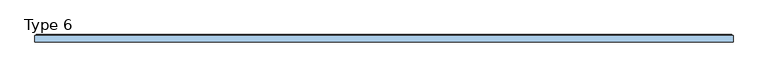
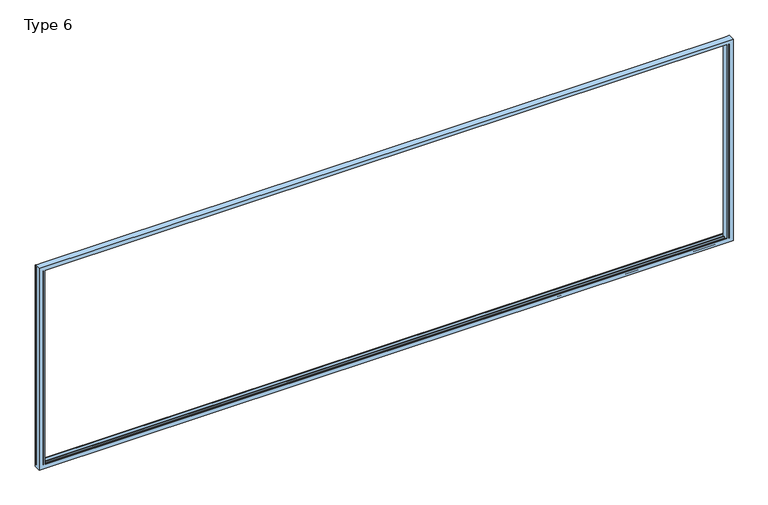
"""IFC4 building model written with IfcOpenShell, lengths in millimetres: window geometry, Type 6."""

import ifcopenshell
import ifcopenshell.guid

model = None  # the IFC model being written
_history = None  # IfcOwnerHistory: only IFC2X3 demands one
_inside = {}  # id of a spatial element -> (the spatial element, [elements in it])
_under = {}  # id of a project, library or spatial element -> (it, [spatial elements below it])
_declared = {}  # id of a project -> (the project, [libraries it declares])
_typed = {}  # id of a type object -> (the type object, [elements of that type])
_made_of = {}  # id of a material, layer set ... -> (it, [elements and type objects made of it])


def new_model(schema):
    """Start an empty IFC model of exactly this schema.

    Asked for "IFC4X3", IfcOpenShell would pick the latest addendum, in which some entities
    have other attributes; the version numbers below select the first issue.
    IFC2X3 requires an IfcOwnerHistory on every rooted entity: one is made here for all.
    """
    global model, _history
    if schema == "IFC4X3":
        model = ifcopenshell.file(schema_version=(4, 3, 0, 0))
    else:
        model = ifcopenshell.file(schema=schema)
    _inside.clear()
    _under.clear()
    _declared.clear()
    _typed.clear()
    _made_of.clear()
    _history = None
    if model.schema == "IFC2X3":
        org = make("IfcOrganization", Name="unknown")
        user = make(
            "IfcPersonAndOrganization",
            ThePerson=make("IfcPerson", FamilyName="unknown"),
            TheOrganization=org,
        )
        app = make(
            "IfcApplication",
            ApplicationDeveloper=org,
            Version="unknown",
            ApplicationFullName="unknown",
            ApplicationIdentifier="unknown",
        )
        _history = make(
            "IfcOwnerHistory",
            OwningUser=user,
            OwningApplication=app,
            ChangeAction="ADDED",
            CreationDate=0,
        )
    return model


def make(cls, **values):
    """One entity of the class cls with the attributes given. An attribute that is None is left unset."""
    return model.create_entity(
        cls, **{name: value for name, value in values.items() if value is not None}
    )


def rooted(cls, **values):
    """An entity with a GlobalId (a new one), such as an element, a storey or a relation."""
    return make(cls, GlobalId=ifcopenshell.guid.new(), OwnerHistory=_history, **values)


def si_unit(unit_type, name, prefix=None):
    """IfcSIUnit, for example si_unit("LENGTHUNIT", "METRE", prefix="MILLI")."""
    return make("IfcSIUnit", UnitType=unit_type, Prefix=prefix, Name=name)


def assignment(units):
    """IfcUnitAssignment: the units of a project."""
    return None if units is None else make("IfcUnitAssignment", Units=units)


def point(xyz):
    """IfcCartesianPoint."""
    return None if xyz is None else make("IfcCartesianPoint", Coordinates=xyz)


def direction(xyz):
    """IfcDirection."""
    return None if xyz is None else make("IfcDirection", DirectionRatios=xyz)


def frame(location, z_axis=None, x_axis=None):
    """IfcAxis2Placement3D, a coordinate frame: its origin and axes. An axis left out is left unset."""
    return make(
        "IfcAxis2Placement3D",
        Location=point(location),
        Axis=direction(z_axis),
        RefDirection=direction(x_axis),
    )


def origin():
    """The frame at (0, 0, 0) with its axes left unset."""
    return frame((0.0, 0.0, 0.0))


def place(relative_to, where):
    """IfcLocalPlacement: puts the frame where relative to a parent placement (None: the world)."""
    return make(
        "IfcLocalPlacement", PlacementRelTo=relative_to, RelativePlacement=where
    )


def context(
    kind, dimensions, precision=None, world=None, true_north=None, identifier=None
):
    """IfcGeometricRepresentationContext, for example the 3D "Model" context."""
    return make(
        "IfcGeometricRepresentationContext",
        ContextIdentifier=identifier,
        ContextType=kind,
        CoordinateSpaceDimension=dimensions,
        Precision=precision,
        WorldCoordinateSystem=world,
        TrueNorth=true_north,
    )


def project(units=None, contexts=None):
    """IfcProject with its units and contexts."""
    return rooted(
        "IfcProject",
        Name="project",
        RepresentationContexts=contexts,
        UnitsInContext=assignment(units),
    )


def spatial(cls, under=None, at=None, **own):
    """A site, building, storey or space (cls), placed at a placement, below another one or the project."""
    s = rooted(cls, ObjectPlacement=at, **own)
    if under is not None:
        _under.setdefault(under.id(), (under, []))[1].append(s)
    return s


def ellipse_curve(where, semi_axis1, semi_axis2):
    """IfcEllipse in the frame where."""
    return make(
        "IfcEllipse", Position=where, SemiAxis1=semi_axis1, SemiAxis2=semi_axis2
    )


def shape(context_of_items, identifier, shape_type, items):
    """IfcShapeRepresentation: the items that make up one representation, for example the "Body"."""
    return make(
        "IfcShapeRepresentation",
        ContextOfItems=context_of_items,
        RepresentationIdentifier=identifier,
        RepresentationType=shape_type,
        Items=items,
    )


def source(mapping_origin, context_of_items, identifier, shape_type, items):
    """IfcRepresentationMap: a shape defined once, which mapped items show again and again."""
    return make(
        "IfcRepresentationMap",
        MappingOrigin=mapping_origin,
        MappedRepresentation=shape(context_of_items, identifier, shape_type, items),
    )


def transform(
    local_origin,
    x_axis=None,
    y_axis=None,
    z_axis=None,
    scale=None,
    scale2=None,
    scale3=None,
    uniform=True,
):
    """IfcCartesianTransformationOperator3D, or its non-uniform kind. x_axis, y_axis, z_axis: its Axis1, 2, 3."""
    if uniform:
        return make(
            "IfcCartesianTransformationOperator3D",
            Axis1=direction(x_axis),
            Axis2=direction(y_axis),
            LocalOrigin=point(local_origin),
            Scale=scale,
            Axis3=direction(z_axis),
        )
    return make(
        "IfcCartesianTransformationOperator3DnonUniform",
        Axis1=direction(x_axis),
        Axis2=direction(y_axis),
        LocalOrigin=point(local_origin),
        Scale=scale,
        Axis3=direction(z_axis),
        Scale2=scale2,
        Scale3=scale3,
    )


def mapped(mapping_source, mapping_target):
    """IfcMappedItem: shows the shape of a source again, moved by a transform."""
    return make(
        "IfcMappedItem", MappingSource=mapping_source, MappingTarget=mapping_target
    )


def made_of(thing, what):
    """Note that an element or type object is made of a material, layer set ...; save() writes the relation."""
    if what is not None:
        _made_of.setdefault(what.id(), (what, []))[1].append(thing)
    return thing


def element(
    cls,
    number,
    at=None,
    inside=None,
    cuts=None,
    type_object=None,
    material=None,
    context=None,
    identifier="Body",
    shape_type=None,
    held_by="IfcProductDefinitionShape",
    body=None,
    shapes=None,
    **own,
):
    """One element of the class cls, such as IfcWall. Its Tag is "e" and its number.

    at: its placement. inside: the storey or other place that contains it. cuts: it is an
    opening in that element (IfcRelVoidsElement). A single representation is given by context,
    identifier, shape_type and body (its items); several are given by shapes. held_by: the class
    of the entity that holds the representations. save() writes the other relations.
    """
    e = rooted(cls, Tag="e%d" % number, ObjectPlacement=at, **own)
    if body is not None:
        shapes = [shape(context, identifier, shape_type, body)]
    if shapes is not None:
        e.Representation = make(held_by, Representations=shapes)
    if inside is not None:
        _inside.setdefault(inside.id(), (inside, []))[1].append(e)
    if cuts is not None:
        rooted(
            "IfcRelVoidsElement", RelatingBuildingElement=cuts, RelatedOpeningElement=e
        )
    if type_object is not None:
        _typed.setdefault(type_object.id(), (type_object, []))[1].append(e)
    return made_of(e, material)


def aggregate(whole, parts):
    """IfcRelAggregates: a whole, such as a stair, and the parts it consists of."""
    return rooted("IfcRelAggregates", RelatingObject=whole, RelatedObjects=parts)


def save(model, path):
    """Write the relations noted so far, then the file.

    IfcRelAggregates (storeys below a building ...), IfcRelContainedInSpatialStructure (elements
    in a storey), IfcRelDefinesByType, IfcRelAssociatesMaterial and IfcRelDeclares: one each for
    every whole, place, type object, material and project.
    """
    for whole, parts in _under.values():
        aggregate(whole, parts)
    for where, things in _inside.values():
        rooted(
            "IfcRelContainedInSpatialStructure",
            RelatedElements=things,
            RelatingStructure=where,
        )
    for kind, things in _typed.values():
        rooted("IfcRelDefinesByType", RelatedObjects=things, RelatingType=kind)
    for what, things in _made_of.values():
        rooted("IfcRelAssociatesMaterial", RelatedObjects=things, RelatingMaterial=what)
    for by, libraries in _declared.values():
        rooted("IfcRelDeclares", RelatingContext=by, RelatedDefinitions=libraries)
    model.write(path)


def plane_surface(at):
    """IfcPlane: the flat surface through the origin of the frame at, square to its z axis."""
    return make("IfcPlane", Position=at)


def cylinder_surface(at, radius):
    """IfcCylindricalSurface: all points at the distance radius from the z axis of the frame at."""
    return make("IfcCylindricalSurface", Position=at, Radius=radius)


def advanced_brep(points, edges, surfaces, faces):
    """IfcAdvancedBrep: a solid bounded by faces that lie on surfaces and meet in shared edges.

    An edge is (start, end): straight between two places in points (the first is 0);
    or (start, end, curve); or (start, end, curve, False) where it runs against its curve.
    A face is (place in surfaces, loops), or (place, loops, False) where it looks against
    its surface's normal. A loop lists edges by number (the first is 1), with a minus sign
    where the edge is run from its end to its start. The first loop is the outer one.
    """
    corners = [point(p) for p in points]
    vertices = [make("IfcVertexPoint", VertexGeometry=c) for c in corners]
    made = []
    for start, end, *more in edges:
        made.append(
            make(
                "IfcEdgeCurve",
                EdgeStart=vertices[start],
                EdgeEnd=vertices[end],
                EdgeGeometry=more[0] if more else make("IfcPolyline", Points=[corners[start], corners[end]]),
                SameSense=more[1] if len(more) > 1 else True,
            )
        )
    hull = []
    for where, loops, *sense in faces:
        bounds = []
        for j, loop in enumerate(loops):
            ring = [make("IfcOrientedEdge", EdgeElement=made[abs(k) - 1], Orientation=k > 0) for k in loop]
            bounds.append(
                make(
                    "IfcFaceOuterBound" if j == 0 else "IfcFaceBound",
                    Bound=make("IfcEdgeLoop", EdgeList=ring),
                    Orientation=True,
                )
            )
        hull.append(make("IfcAdvancedFace", Bounds=bounds, FaceSurface=surfaces[where], SameSense=sense[0] if sense else True))
    return make("IfcAdvancedBrep", Outer=make("IfcClosedShell", CfsFaces=hull))


def type_6_13032e25(model_context):
    return source(origin(), model_context, "Body", "AdvancedBrep", [
        advanced_brep(
        [(-3845.0, -70.0, 45.0), (-3845.0, -66.5, 45.0), (-3845.0, -66.4999084, 2345.0), (-3845.0, -70.0, 2345.0), (-3840.0003662, -70.0, 45.0), (-3840.0003662, -66.5, 45.0), (3845.0, -70.0, 45.0), (3845.0, -66.5, 45.0), (3840.0003662, -66.4999084, 45.0), (3840.0003662, -70.0, 45.0), (-3818.8, -66.5, 45.0), (-3818.8, -70.0, 45.0), (3818.7961345, -70.0, 45.0), (3818.7961345, -66.5, 45.0), (-3890.0, -70.0, 2390.0), (-3890.0, -70.0, 0.0), (3890.0, -70.0, 0.0), (3890.0, -70.0, 2390.0), (-3840.0003662, -70.0, 2345.0), (3845.0, -70.0, 2345.0), (3840.0003662, -70.0, 2345.0), (-3818.8, -70.0, 2345.0), (3818.7961345, -70.0, 2345.0), (-3840.0003662, -66.5, 2345.0), (3845.0, -66.5, 2345.0), (3840.0003662, -66.4999084, 2345.0), (-3818.8, -66.5, 24.0002136), (-3818.8, -55.8499756, 24.0002136), (-3818.8, -55.8499756, 40.999939), (-3818.8, -46.25, 40.999939), (-3818.8, -46.25, 24.0002136), (-3818.8, -23.7500839, 24.0002136), (-3818.8, -23.7500839, 40.999939), (-3818.8, -14.1501312, 40.999939), (-3818.8, -14.1501312, 24.0002136), (-3818.8, 0.0, 24.0002136), (-3818.8, 0.0, 59.9999084), (-3818.8, 0.0, 2330.0000916), (-3818.8, 0.0, 2365.9997864), (-3818.8, -14.1501312, 2365.9997864), (-3818.8, -14.1501312, 2349.000061), (-3818.8, -23.7500839, 2349.000061), (-3818.8, -23.7500839, 2365.9997864), (-3818.8, -46.25, 2365.9997864), (-3818.8, -46.25, 2349.000061), (-3818.8, -55.8499756, 2349.000061), (-3818.8, -55.8499756, 2365.9997864), (-3818.8, -66.5, 2365.9997864), (-3818.8, -66.5, 2345.0), (3818.7961345, -66.5, 2345.0), (3818.7961345, -66.5, 2365.9997864), (3818.7961345, -55.8499756, 2365.9997864), (3818.7961345, -55.8499756, 2349.000061), (3818.7961345, -46.25, 2349.000061), (3818.7961345, -46.25, 2365.9997864), (3818.7961345, -23.7500839, 2365.9997864), (3818.7961345, -23.7500839, 2349.000061), (3818.7961345, -14.1501312, 2349.000061), (3818.7961345, -14.1501312, 2365.9997864), (3818.7961345, 0.0, 2365.9997864), (3818.7961345, 0.0, 2330.0000916), (3818.7961345, 0.0, 59.9999084), (3818.7961345, 0.0, 24.0002136), (3818.7961345, -14.1501312, 24.0002136), (3818.7961345, -14.1501312, 40.999939), (3818.7961345, -23.7500839, 40.999939), (3818.7961345, -23.7500839, 24.0002136), (3818.7961345, -46.25, 24.0002136), (3818.7961345, -46.25, 40.999939), (3818.7961345, -55.8499756, 40.999939), (3818.7961345, -55.8499756, 24.0002136), (3818.7961345, -66.5, 24.0002136), (-3890.0, 0.0, 0.0), (-3865.9997864, 0.0, 0.0), (-3818.8, 0.0, 0.0), (3818.7961345, 0.0, 0.0), (3865.9997864, 0.0, 0.0), (3890.0, 0.0, 0.0), (-3890.0, 0.0, 2390.0), (-3865.9997864, 0.0, 2390.0), (-3818.8, 0.0, 2390.0), (3818.7961345, 0.0, 2390.0), (3865.9997864, 0.0, 2390.0), (3890.0, 0.0, 2390.0), (-3877.999939, 0.0, 2377.999939), (-3877.999939, 0.0, 12.000061), (-3865.9997864, 0.0, 12.000061), (-3818.8, 0.0, 12.000061), (3818.7961345, 0.0, 12.000061), (3865.9997864, 0.0, 12.000061), (3877.999939, 0.0, 12.000061), (3877.999939, 0.0, 2377.999939), (3865.9997864, 0.0, 2377.999939), (3818.7961345, 0.0, 2377.999939), (-3818.8, 0.0, 2377.999939), (-3865.9997864, 0.0, 2377.999939), (-3830.0000916, 0.0, 59.9999084), (-3830.0000916, 7.4999847, 59.9999084), (-3830.0000916, 7.4999847, 2330.0000916), (-3830.0000916, 0.0, 2330.0000916), (3830.0000916, 0.0, 59.9999084), (3830.0000916, 7.4999847, 59.9999084), (3830.0000916, 0.0, 2330.0000916), (3830.0000916, 7.4999847, 2330.0000916), (3832.5000916, 9.9999847, 57.4999084), (-3832.5000916, 9.9999847, 57.4999084), (-3877.999939, 5.4999847, 12.000061), (-3877.999939, 5.4999847, 2377.999939), (3877.999939, 5.4999847, 12.000061), (-3873.499939, 9.9999847, 16.500061), (3873.499939, 9.9999847, 16.500061), (3877.999939, 5.4999847, 2377.999939), (-3832.5000916, 9.9999847, 2332.5000916), (-3873.499939, 9.9999847, 2373.499939), (3832.5000916, 9.9999847, 2332.5000916), (3873.499939, 9.9999847, 2373.499939)],
        [
            (0, 1),
            (1, 2),
            (2, 3),
            (3, 0),
            (0, 4),
            (4, 5),
            (5, 1),
            (6, 7),
            (7, 8),
            (8, 9),
            (9, 6),
            (10, 11),
            (11, 12),
            (12, 13),
            (13, 10),
            (14, 15),
            (15, 16),
            (16, 17),
            (17, 14),
            (3, 18),
            (18, 4),
            (19, 6),
            (9, 20),
            (20, 19),
            (21, 22),
            (22, 12),
            (11, 21),
            (18, 23),
            (23, 5),
            (23, 2),
            (19, 24),
            (24, 7),
            (25, 8),
            (24, 25),
            (25, 20),
            (10, 26),
            (26, 27),
            (27, 28),
            (28, 29),
            (29, 30),
            (30, 31),
            (31, 32),
            (32, 33),
            (33, 34),
            (34, 35),
            (35, 36),
            (36, 37),
            (37, 38),
            (38, 39),
            (39, 40),
            (40, 41),
            (41, 42),
            (42, 43),
            (43, 44),
            (44, 45),
            (45, 46),
            (46, 47),
            (47, 48),
            (48, 21),
            (22, 49),
            (49, 50),
            (50, 51),
            (51, 52),
            (52, 53),
            (53, 54),
            (54, 55),
            (55, 56),
            (56, 57),
            (57, 58),
            (58, 59),
            (59, 60),
            (60, 61),
            (61, 62),
            (62, 63),
            (63, 64),
            (64, 65),
            (65, 66),
            (66, 67),
            (67, 68),
            (68, 69),
            (69, 70),
            (70, 71),
            (71, 13),
            (71, 26),
            (47, 50),
            (49, 48),
            (15, 72),
            (72, 73),
            (73, 74),
            (74, 75),
            (75, 76),
            (76, 77),
            (77, 16),
            (14, 78),
            (78, 72),
            (78, 79),
            (79, 80),
            (80, 81),
            (81, 82),
            (82, 83),
            (83, 77),
            (84, 85),
            (85, 86),
            (86, 87),
            (87, 88),
            (88, 89),
            (89, 90),
            (90, 91),
            (91, 92),
            (92, 93),
            (93, 94),
            (94, 95),
            (95, 84),
            (83, 17),
            (70, 27),
            (69, 28),
            (45, 52),
            (51, 46),
            (68, 29),
            (67, 30),
            (43, 54),
            (53, 44),
            (66, 31),
            (65, 32),
            (41, 56),
            (55, 42),
            (64, 33),
            (63, 34),
            (39, 58),
            (57, 40),
            (62, 35),
            (61, 36),
            (37, 60),
            (59, 38),
            (96, 97),
            (97, 98),
            (98, 99),
            (99, 96),
            (96, 36),
            (61, 100),
            (100, 101),
            (101, 97),
            (99, 37),
            (60, 102),
            (102, 100),
            (102, 103),
            (103, 101),
            (101, 104, ellipse_curve(frame((3832.5000916, 7.4999847, 57.4999084), z_axis=(-0.7071067811865498, 0.0, -0.7071067811865451), x_axis=(-0.7071067811865452, 0.0, 0.7071067811865497)), 3.5355339, 2.5)),
            (104, 105),
            (105, 97, ellipse_curve(frame((-3832.5000916, 7.4999847, 57.4999084), z_axis=(0.7071067811865451, 0.0, -0.7071067811865498), x_axis=(-0.70710678118655, 0.0, -0.7071067811865451)), 3.5355339, 2.5)),
            (106, 85),
            (84, 107),
            (107, 106),
            (106, 108),
            (108, 90),
            (106, 109, ellipse_curve(frame((-3873.499939, 5.4999847, 16.500061), z_axis=(0.7071067811865451, 0.0, -0.7071067811865498), x_axis=(-0.70710678118655, 0.0, -0.7071067811865451)), 6.363961, 4.5)),
            (109, 110),
            (110, 108, ellipse_curve(frame((3873.499939, 5.4999847, 16.500061), z_axis=(-0.7071067811865498, 0.0, -0.7071067811865451), x_axis=(-0.7071067811865452, 0.0, 0.7071067811865497)), 6.363961, 4.5)),
            (108, 111),
            (111, 91),
            (105, 112),
            (112, 98, ellipse_curve(frame((-3832.5000916, 7.4999847, 2332.5000916), z_axis=(-0.7071067811865498, 0.0, -0.7071067811865451), x_axis=(-0.7071067811865451, 0.0, 0.70710678118655)), 3.5355339, 2.5)),
            (107, 113, ellipse_curve(frame((-3873.499939, 5.4999847, 2373.499939), z_axis=(-0.7071067811865498, 0.0, -0.7071067811865451), x_axis=(-0.7071067811865451, 0.0, 0.70710678118655)), 6.363961, 4.5)),
            (113, 109),
            (103, 114, ellipse_curve(frame((3832.5000916, 7.4999847, 2332.5000916), z_axis=(0.7071067811865451, 0.0, -0.7071067811865498), x_axis=(-0.7071067811865497, 0.0, -0.7071067811865452)), 3.5355339, 2.5)),
            (114, 104),
            (110, 115),
            (115, 111, ellipse_curve(frame((3873.499939, 5.4999847, 2373.499939), z_axis=(0.7071067811865451, 0.0, -0.7071067811865498), x_axis=(-0.7071067811865497, 0.0, -0.7071067811865452)), 6.363961, 4.5)),
            (113, 115),
            (114, 112),
            (98, 103),
            (111, 107),
        ],
        [
            plane_surface(frame((-3845.0, -70.0, 2345.0), z_axis=(1.0, 0.0, 0.0), x_axis=(0.0, 0.0, -1.0))),
            plane_surface(frame((-3845.0, -70.0, 45.0), z_axis=(0.0, 0.0, 1.0), x_axis=(1.0, 0.0, 0.0))),
            plane_surface(frame((3890.0, -70.0, 2390.0), z_axis=(0.0, -1.0, 0.0), x_axis=(-1.0, 0.0, 0.0))),
            plane_surface(frame((-3840.0003662, -66.4999084, 2390.0), z_axis=(-1.0, 0.0, 0.0), x_axis=(0.0, 0.0, -1.0))),
            plane_surface(frame((-3865.9997864, -66.4999084, 2390.0), z_axis=(0.0, -1.0, 0.0), x_axis=(0.0, 0.0, -1.0))),
            plane_surface(frame((3845.0, -70.0, 45.0), z_axis=(-1.0, 0.0, 0.0), x_axis=(0.0, 0.0, 1.0))),
            plane_surface(frame((3840.0003662, -66.4999084, 2390.0), z_axis=(0.0, -1.0, 0.0), x_axis=(0.0, 0.0, -1.0))),
            plane_surface(frame((3840.0003662, -70.0, 2390.0), z_axis=(1.0, 0.0, 0.0), x_axis=(0.0, 0.0, -1.0))),
            plane_surface(frame((-3818.8, -70.0, 2390.0), z_axis=(1.0, 0.0, 0.0), x_axis=(0.0, 0.0, -1.0))),
            plane_surface(frame((3818.7961345, 0.0, 2390.0), z_axis=(-1.0, 0.0, 0.0), x_axis=(0.0, 0.0, -1.0))),
            plane_surface(frame((3845.0, -66.5, 2345.0), z_axis=(0.0, 1.0, 0.0), x_axis=(-1.0, 0.0, 0.0))),
            plane_surface(frame((-3890.0, 0.0, 0.0), z_axis=(0.0, 0.0, -1.0), x_axis=(1.0, 0.0, 0.0))),
            plane_surface(frame((-3890.0, 0.0, 2390.0), z_axis=(-1.0, 0.0, 0.0), x_axis=(0.0, 0.0, -1.0))),
            plane_surface(frame((3877.999939, 0.0, 2377.999939), z_axis=(0.0, 1.0, 0.0), x_axis=(-1.0, 0.0, 0.0))),
            plane_surface(frame((3890.0, 0.0, 0.0), z_axis=(1.0, 0.0, 0.0), x_axis=(0.0, 0.0, 1.0))),
            plane_surface(frame((-3865.9997864, -66.5, 24.0002136), z_axis=(0.0, 0.0, 1.0), x_axis=(1.0, 0.0, 0.0))),
            plane_surface(frame((3865.9997864, -55.8499756, 2365.9997864), z_axis=(0.0, -1.0, 0.0), x_axis=(-1.0, 0.0, 0.0))),
            plane_surface(frame((-3849.000061, -55.8499756, 40.999939), z_axis=(0.0, 0.0, 1.0), x_axis=(1.0, 0.0, 0.0))),
            plane_surface(frame((3849.000061, -46.25, 2349.000061), z_axis=(0.0, 1.0, 0.0), x_axis=(-1.0, 0.0, 0.0))),
            plane_surface(frame((-3865.9997864, -46.25, 24.0002136), z_axis=(0.0, 0.0, 1.0), x_axis=(1.0, 0.0, 0.0))),
            plane_surface(frame((3865.9997864, -23.7500839, 2365.9997864), z_axis=(0.0, -1.0, 0.0), x_axis=(-1.0, 0.0, 0.0))),
            plane_surface(frame((-3849.000061, -23.7500839, 40.999939), z_axis=(0.0, 0.0, 1.0), x_axis=(1.0, 0.0, 0.0))),
            plane_surface(frame((3849.000061, -14.1501312, 2349.000061), z_axis=(0.0, 1.0, 0.0), x_axis=(-1.0, 0.0, 0.0))),
            plane_surface(frame((-3865.9997864, -14.1501312, 24.0002136), z_axis=(0.0, 0.0, 1.0), x_axis=(1.0, 0.0, 0.0))),
            plane_surface(frame((3865.9997864, 0.0, 2365.9997864), z_axis=(0.0, -1.0, 0.0), x_axis=(-1.0, 0.0, 0.0))),
            plane_surface(frame((-3830.0000916, 0.0, 2330.0000916), z_axis=(1.0, 0.0, 0.0), x_axis=(0.0, 0.0, -1.0))),
            plane_surface(frame((-3830.0000916, 0.0, 59.9999084), z_axis=(0.0, 0.0, 1.0), x_axis=(1.0, 0.0, 0.0))),
            plane_surface(frame((-3818.8, 0.0, 2390.0), z_axis=(0.0, 1.0, 0.0), x_axis=(0.0, 0.0, -1.0))),
            plane_surface(frame((3865.9997864, 0.0, 2390.0), z_axis=(0.0, 1.0, 0.0), x_axis=(0.0, 0.0, -1.0))),
            plane_surface(frame((3830.0000916, 0.0, 59.9999084), z_axis=(-1.0, 0.0, 0.0), x_axis=(0.0, 0.0, 1.0))),
            cylinder_surface(frame((-3890.0, 7.4999847, 57.4999084), z_axis=(-1.0, 0.0, 0.0), x_axis=(0.0, 0.0, 1.0)), 2.5),
            plane_surface(frame((-3877.999939, 5.4999847, 2377.999939), z_axis=(-1.0, 0.0, 0.0), x_axis=(0.0, 0.0, -1.0))),
            plane_surface(frame((-3877.999939, 5.4999847, 12.000061), z_axis=(0.0, 0.0, -1.0), x_axis=(1.0, 0.0, 0.0))),
            cylinder_surface(frame((-3890.0, 5.4999847, 16.500061), z_axis=(-1.0, 0.0, 0.0), x_axis=(0.0, 0.0, 1.0)), 4.5),
            plane_surface(frame((3877.999939, 5.4999847, 12.000061), z_axis=(1.0, 0.0, 0.0), x_axis=(0.0, 0.0, 1.0))),
            cylinder_surface(frame((-3832.5000916, 7.4999847, 2390.0), z_axis=(0.0, 0.0, 1.0), x_axis=(1.0, 0.0, 0.0)), 2.5),
            cylinder_surface(frame((-3873.499939, 5.4999847, 2390.0), z_axis=(0.0, 0.0, 1.0), x_axis=(1.0, 0.0, 0.0)), 4.5),
            cylinder_surface(frame((3832.5000916, 7.4999847, 0.0), z_axis=(0.0, 0.0, -1.0), x_axis=(-1.0, 0.0, 0.0)), 2.5),
            cylinder_surface(frame((3873.499939, 5.4999847, 0.0), z_axis=(0.0, 0.0, -1.0), x_axis=(-1.0, 0.0, 0.0)), 4.5),
            plane_surface(frame((3832.5000916, 9.9999847, 2332.5000916), z_axis=(0.0, 1.0, 0.0), x_axis=(-1.0, 0.0, 0.0))),
            plane_surface(frame((3890.0, 0.0, 2390.0), z_axis=(0.0, 0.0, 1.0), x_axis=(-1.0, 0.0, 0.0))),
            plane_surface(frame((3845.0, -70.0, 2345.0), z_axis=(0.0, 0.0, -1.0), x_axis=(-1.0, 0.0, 0.0))),
            plane_surface(frame((3830.0000916, 0.0, 2330.0000916), z_axis=(0.0, 0.0, -1.0), x_axis=(-1.0, 0.0, 0.0))),
            plane_surface(frame((3877.999939, 5.4999847, 2377.999939), z_axis=(0.0, 0.0, 1.0), x_axis=(-1.0, 0.0, 0.0))),
            plane_surface(frame((3865.9997864, -66.5, 2365.9997864), z_axis=(0.0, 0.0, -1.0), x_axis=(-1.0, 0.0, 0.0))),
            plane_surface(frame((3849.000061, -55.8499756, 2349.000061), z_axis=(0.0, 0.0, -1.0), x_axis=(-1.0, 0.0, 0.0))),
            plane_surface(frame((3865.9997864, -46.25, 2365.9997864), z_axis=(0.0, 0.0, -1.0), x_axis=(-1.0, 0.0, 0.0))),
            plane_surface(frame((3849.000061, -23.7500839, 2349.000061), z_axis=(0.0, 0.0, -1.0), x_axis=(-1.0, 0.0, 0.0))),
            plane_surface(frame((3865.9997864, -14.1501312, 2365.9997864), z_axis=(0.0, 0.0, -1.0), x_axis=(-1.0, 0.0, 0.0))),
            cylinder_surface(frame((3890.0, 7.4999847, 2332.5000916), z_axis=(1.0, 0.0, 0.0), x_axis=(0.0, 0.0, -1.0)), 2.5),
            cylinder_surface(frame((3890.0, 5.4999847, 2373.499939), z_axis=(1.0, 0.0, 0.0), x_axis=(0.0, 0.0, -1.0)), 4.5),
        ],
        [
            (0, [[1, 2, 3, 4]]),
            (1, [[-1, 5, 6, 7]]),
            (1, [[8, 9, 10, 11]]),
            (1, [[12, 13, 14, 15]]),
            (2, [[16, 17, 18, 19], [-4, 20, 21, -5], [22, -11, 23, 24], [25, 26, -13, 27]]),
            (3, [[-21, 28, 29, -6]]),
            (4, [[-29, 30, -2, -7]]),
            (5, [[-8, -22, 31, 32]]),
            (6, [[33, -9, -32, 34]]),
            (7, [[-23, -10, -33, 35]]),
            (8, [[-27, -12, 36, 37, 38, 39, 40, 41, 42, 43, 44, 45, 46, 47, 48, 49, 50, 51, 52, 53, 54, 55, 56, 57, 58, 59]]),
            (9, [[-26, 60, 61, 62, 63, 64, 65, 66, 67, 68, 69, 70, 71, 72, 73, 74, 75, 76, 77, 78, 79, 80, 81, 82, 83, -14]]),
            (10, [[-36, -15, -83, 84]]),
            (10, [[-58, 85, -61, 86]]),
            (11, [[-17, 87, 88, 89, 90, 91, 92, 93]]),
            (12, [[-87, -16, 94, 95]]),
            (13, [[-95, 96, 97, 98, 99, 100, 101, -92, -91, -90, -89, -88], [102, 103, 104, 105, 106, 107, 108, 109, 110, 111, 112, 113]]),
            (14, [[-93, -101, 114, -18]]),
            (15, [[-37, -84, -82, 115]]),
            (16, [[-38, -115, -81, 116]]),
            (16, [[-56, 117, -63, 118]]),
            (17, [[-39, -116, -80, 119]]),
            (18, [[-40, -119, -79, 120]]),
            (18, [[-54, 121, -65, 122]]),
            (19, [[-41, -120, -78, 123]]),
            (20, [[-42, -123, -77, 124]]),
            (20, [[-52, 125, -67, 126]]),
            (21, [[-43, -124, -76, 127]]),
            (22, [[-44, -127, -75, 128]]),
            (22, [[-50, 129, -69, 130]]),
            (23, [[-45, -128, -74, 131]]),
            (24, [[-46, -131, -73, 132]]),
            (24, [[-48, 133, -71, 134]]),
            (25, [[135, 136, 137, 138]]),
            (26, [[-135, 139, -132, 140, 141, 142]]),
            (27, [[-47, -139, -138, 143]]),
            (28, [[-72, 144, 145, -140]]),
            (29, [[-141, -145, 146, 147]]),
            (30, [[-142, 148, 149, 150]]),
            (31, [[151, -102, 152, 153]]),
            (32, [[-151, 154, 155, -107, -106, -105, -104, -103]]),
            (33, [[-154, 156, 157, 158]]),
            (34, [[-155, 159, 160, -108]]),
            (35, [[-136, -150, 161, 162]]),
            (36, [[-153, 163, 164, -156]]),
            (37, [[-147, 165, 166, -148]]),
            (38, [[-159, -158, 167, 168]]),
            (39, [[169, -167, -157, -164], [-149, -166, 170, -161]]),
            (40, [[-94, -19, -114, -100, -99, -98, -97, -96]]),
            (41, [[-31, -24, -35, -34]]),
            (41, [[-3, -30, -28, -20]]),
            (41, [[-59, -86, -60, -25]]),
            (42, [[-137, 171, -146, -144, -133, -143]]),
            (43, [[-152, -113, -112, -111, -110, -109, -160, 172]]),
            (44, [[-57, -118, -62, -85]]),
            (45, [[-55, -122, -64, -117]]),
            (46, [[-53, -126, -66, -121]]),
            (47, [[-51, -130, -68, -125]]),
            (48, [[-49, -134, -70, -129]]),
            (49, [[-171, -162, -170, -165]]),
            (50, [[-169, -163, -172, -168]]),
        ],
    ),
    ])


if __name__ == "__main__":
    model = new_model("IFC4")
    model_context = context("Model", 3, world=origin())
    ifc_project = project(units=[si_unit("LENGTHUNIT", "METRE", prefix="MILLI")], contexts=[model_context])
    site = spatial("IfcSite", under=ifc_project)
    building = spatial("IfcBuilding", under=site)
    placement = place(None, origin())
    type_6_shape = type_6_13032e25(model_context)
    element("IfcWindow", 1, ObjectType="Type 6", at=placement, inside=building, context=model_context, shape_type="MappedRepresentation", body=[
        mapped(type_6_shape, transform((0.0, 0.0, 0.0), x_axis=(1.0, 0.0, 0.0), y_axis=(0.0, 1.0, 0.0), z_axis=(0.0, 0.0, 1.0))),
    ])
    save(model, "model.ifc")
